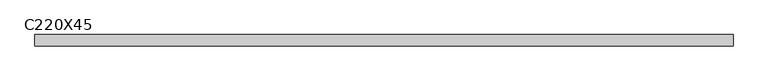
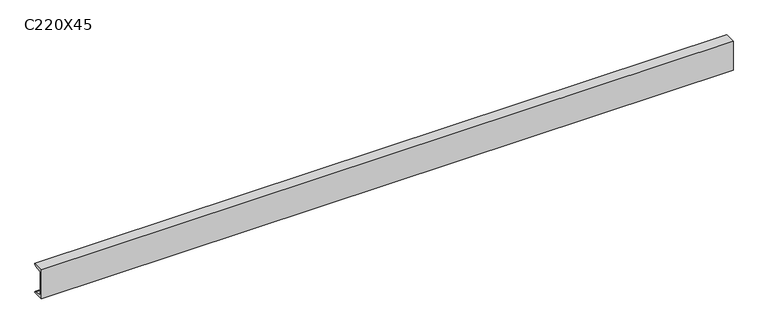
"""IFC4 building model written with IfcOpenShell, lengths in millimetres: beam geometry, C220X45."""

from ifc_helpers import new_model, si_unit, point, frame, frame_2d, origin, place, context, project, spatial, polyline, circle_curve, trimmed, segment, composite_curve, outline, extrude, source, transform, mapped, element, save


def c220x45_c959b423(model_context):
    return source(origin(), model_context, "Body", "SweptSolid", [
        extrude(outline(composite_curve([segment(polyline([(-17.0, 110.0), (64.0, 110.0)]), True, "CONTINUOUS"), segment(trimmed(circle_curve(frame_2d((51.0, 110.0)), 13.0), [point((64.0, 110.0))], [point((51.0, 97.0))], False, "CARTESIAN"), True, "CONTINUOUS"), segment(polyline([(51.0, 97.0), (-4.0, 88.2888558), (-4.0, -88.2888558), (51.0, -97.0)]), True, "CONTINUOUS"), segment(trimmed(circle_curve(frame_2d((51.0, -110.0)), 13.0), [point((51.0, -97.0))], [point((64.0, -110.0))], False, "CARTESIAN"), True, "CONTINUOUS"), segment(polyline([(64.0, -110.0), (-17.0, -110.0), (-17.0, 110.0)]), True, "CONTINUOUS")], self_intersect=False)), frame((-2485.0, 0.0, 0.0), z_axis=(1.0, 0.0, 0.0), x_axis=(0.0, 1.0, 0.0)), (0.0, 0.0, 1.0), 4970.0),
    ])


if __name__ == "__main__":
    model = new_model("IFC4")
    model_context = context("Model", 3, world=origin())
    ifc_project = project(units=[si_unit("LENGTHUNIT", "METRE", prefix="MILLI")], contexts=[model_context])
    site = spatial("IfcSite", under=ifc_project)
    building = spatial("IfcBuilding", under=site)
    placement = place(None, origin())
    c220x45_shape = c220x45_c959b423(model_context)
    element("IfcBeam", 1, ObjectType="C220X45", at=placement, inside=building, context=model_context, shape_type="MappedRepresentation", body=[
        mapped(c220x45_shape, transform((0.0, 0.0, 0.0), x_axis=(1.0, 0.0, 0.0), y_axis=(0.0, 1.0, 0.0), z_axis=(0.0, 0.0, 1.0))),
    ])
    save(model, "model.ifc")
